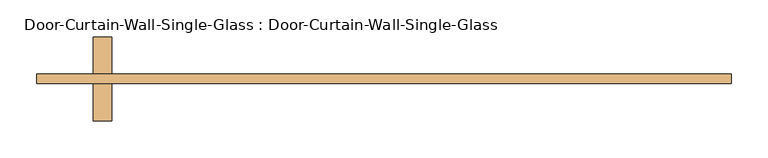
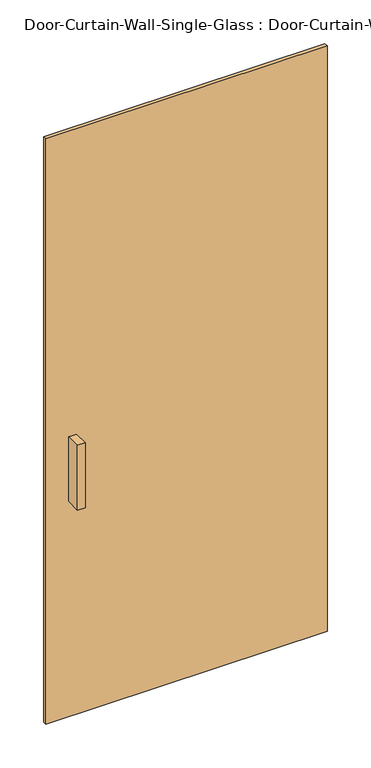
"""IFC4 building model written with IfcOpenShell, lengths in millimetres: door geometry, Door-Curtain-Wall-Single-Glass : Door-Curtain-Wall-Single-Glass."""

from ifc_helpers import new_model, si_unit, frame, origin, origin_with_axes, place, context, project, spatial, polyline, outline, extrude, source, transform, mapped, element, save


def door_curtain_wall_single_glass_door_curtain_wall_single_17ea6caa(model_context):
    return source(origin(), model_context, "Body", "SweptSolid", [
        extrude(outline(polyline([(470.5414874, -50.8), (-470.5414874, -50.8), (-470.5414874, -38.1), (470.5414874, -38.1), (470.5414874, -50.8)])), origin_with_axes(), (0.0, 0.0, 1.0), 2070.751873),
        extrude(outline(polyline([(-368.9414874, 12.7), (-368.9414874, -38.1), (-394.3414874, -38.1), (-394.3414874, 12.7), (-368.9414874, 12.7)])), frame((0.0, 0.0, 762.0), z_axis=(0.0, 0.0, 1.0), x_axis=(1.0, 0.0, 0.0)), (0.0, 0.0, 1.0), 228.6),
        extrude(outline(polyline([(-394.3414874, -101.6), (-394.3414874, -50.8), (-368.9414874, -50.8), (-368.9414874, -101.6), (-394.3414874, -101.6)])), frame((0.0, 0.0, 762.0), z_axis=(0.0, 0.0, 1.0), x_axis=(1.0, 0.0, 0.0)), (0.0, 0.0, 1.0), 228.6),
    ])


if __name__ == "__main__":
    model = new_model("IFC4")
    model_context = context("Model", 3, world=origin())
    ifc_project = project(units=[si_unit("LENGTHUNIT", "METRE", prefix="MILLI")], contexts=[model_context])
    site = spatial("IfcSite", under=ifc_project)
    building = spatial("IfcBuilding", under=site)
    placement = place(None, origin())
    door_curtain_wall_single_glass_door_curtain_wall_single_shape = door_curtain_wall_single_glass_door_curtain_wall_single_17ea6caa(model_context)
    element("IfcDoor", 1, ObjectType="Door-Curtain-Wall-Single-Glass : Door-Curtain-Wall-Single-Glass", at=placement, inside=building, context=model_context, shape_type="MappedRepresentation", body=[
        mapped(door_curtain_wall_single_glass_door_curtain_wall_single_shape, transform((0.0, 0.0, 0.0), x_axis=(1.0, 0.0, 0.0), y_axis=(0.0, 1.0, 0.0), z_axis=(0.0, 0.0, 1.0))),
    ])
    save(model, "model.ifc")
